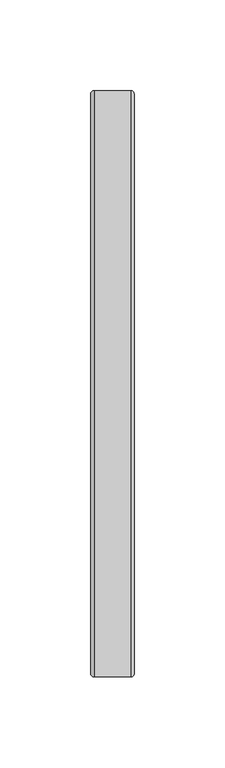
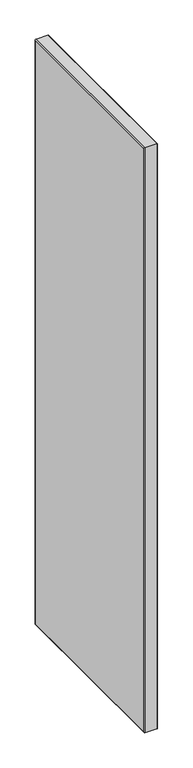
"""IFC4 building model written with IfcOpenShell, lengths in millimetres: furniture geometry."""

from ifc_helpers import new_model, si_unit, frame, origin, place, context, project, spatial, polyline, ellipse_curve, outline, extrude, source, transform, mapped, element, save
from ifc_brep_helpers import plane_surface, cylinder_surface, advanced_brep


def furniture_2617a7be(model_context):
    return source(origin(), model_context, "Body", "SolidModel", [
        extrude(outline(polyline([(-1.5748, 71.9582), (-1.5748, -247.1166), (-24.0253997, -247.1166), (-24.0253997, 71.9582), (-1.5748, 71.9582)])), frame((0.0, 0.0, 1.9812), z_axis=(0.0, 0.0, 1.0), x_axis=(1.0, 0.0, 0.0)), (0.0, 0.0, 1.0), 1050.8234),
        advanced_brep(
        [(-22.0187997, -249.1232, 1054.8112), (-24.0253997, -247.1166, 1052.8046), (-24.0253997, -247.1166, 1.9812), (-22.0187997, -249.1232, -0.0254), (-2.032, -249.1232, 1054.8112), (-2.032, -249.1232, -0.0254), (-0.0254, -247.1166, 1052.8046), (-0.0254, -247.1166, 1.9812), (-24.0253997, 71.9582, 1.9812), (-22.0187997, 73.9648, -0.0254), (-2.032, 73.9648, -0.0254), (-0.0254, 71.9582, 1.9812), (-24.0253997, 71.9582, 1052.8046), (-22.0187997, 73.9648, 1054.8112), (-2.032, 73.9648, 1054.8112), (-0.0254, 71.9582, 1052.8046)],
        [
            (0, 1, ellipse_curve(frame((-22.0187997, -247.1166, 1052.8046), z_axis=(0.0, -0.7071067811865475, -0.7071067811865475), x_axis=(0.0, -0.7071067811865474, 0.7071067811865476)), 2.8377609, 2.0066)),
            (1, 2),
            (2, 3, ellipse_curve(frame((-22.0187997, -247.1166, 1.9812), z_axis=(0.0, -0.7071067811865475, 0.7071067811865475), x_axis=(0.0, 0.7071067811865474, 0.7071067811865476)), 2.8377609, 2.0066)),
            (3, 0),
            (4, 0),
            (3, 5),
            (5, 4),
            (6, 4, ellipse_curve(frame((-2.032, -247.1166, 1052.8046), z_axis=(0.0, -0.7071067811865475, -0.7071067811865475), x_axis=(0.0, -0.7071067811865474, 0.7071067811865476)), 2.8377609, 2.0066)),
            (5, 7, ellipse_curve(frame((-2.032, -247.1166, 1.9812), z_axis=(0.0, -0.7071067811865475, 0.7071067811865475), x_axis=(0.0, 0.7071067811865474, 0.7071067811865476)), 2.8377609, 2.0066)),
            (7, 6),
            (1, 6),
            (7, 2),
            (2, 8),
            (8, 9, ellipse_curve(frame((-22.0187997, 71.9582, 1.9812), z_axis=(0.0, -0.7071067811865475, -0.7071067811865475), x_axis=(0.0, -0.7071067811865476, 0.7071067811865474)), 2.8377609, 2.0066)),
            (9, 3),
            (9, 10),
            (10, 5),
            (10, 11, ellipse_curve(frame((-2.032, 71.9582, 1.9812), z_axis=(0.0, -0.7071067811865475, -0.7071067811865475), x_axis=(0.0, -0.7071067811865476, 0.7071067811865474)), 2.8377609, 2.0066)),
            (11, 7),
            (11, 8),
            (8, 12),
            (12, 13, ellipse_curve(frame((-22.0187997, 71.9582, 1052.8046), z_axis=(0.0, 0.7071067811865475, -0.7071067811865475), x_axis=(0.0, -0.7071067811865474, -0.7071067811865476)), 2.8377609, 2.0066)),
            (13, 9),
            (13, 14),
            (14, 10),
            (14, 15, ellipse_curve(frame((-2.032, 71.9582, 1052.8046), z_axis=(0.0, 0.7071067811865475, -0.7071067811865475), x_axis=(0.0, -0.7071067811865474, -0.7071067811865476)), 2.8377609, 2.0066)),
            (15, 11),
            (15, 12),
            (12, 1),
            (0, 13),
            (4, 14),
            (6, 15),
        ],
        [
            cylinder_surface(frame((-22.0187997, -247.1166, 1052.8046), z_axis=(0.0, 0.0, 1.0), x_axis=(0.0, 1.0, 0.0)), 2.0066),
            plane_surface(frame((-22.0187997, -249.1232, 1054.8112), z_axis=(0.0, -1.0, 0.0), x_axis=(0.0, 0.0, -1.0))),
            cylinder_surface(frame((-2.032, -247.1166, 1052.8046), z_axis=(0.0, 0.0, 1.0), x_axis=(0.0, 1.0, 0.0)), 2.0066),
            plane_surface(frame((-0.0254, -247.1166, 1052.8046), z_axis=(0.0, 1.0, 0.0), x_axis=(0.0, 0.0, -1.0))),
            cylinder_surface(frame((-22.0187997, -247.1166, 1.9812), z_axis=(0.0, -1.0, 0.0), x_axis=(0.0, 0.0, 1.0)), 2.0066),
            plane_surface(frame((-22.0187997, -249.1232, -0.0254), z_axis=(0.0, 0.0, -1.0), x_axis=(0.0, 1.0, 0.0))),
            cylinder_surface(frame((-2.032, -247.1166, 1.9812), z_axis=(0.0, -1.0, 0.0), x_axis=(0.0, 0.0, 1.0)), 2.0066),
            plane_surface(frame((-0.0254, -247.1166, 1.9812), z_axis=(0.0, 0.0, 1.0), x_axis=(0.0, 1.0, 0.0))),
            cylinder_surface(frame((-22.0187997, 71.9582, 1.9812), z_axis=(0.0, 0.0, -1.0), x_axis=(0.0, -1.0, 0.0)), 2.0066),
            plane_surface(frame((-22.0187997, 73.9648, -0.0254), z_axis=(0.0, 1.0, 0.0), x_axis=(0.0, 0.0, 1.0))),
            cylinder_surface(frame((-2.032, 71.9582, 1.9812), z_axis=(0.0, 0.0, -1.0), x_axis=(0.0, -1.0, 0.0)), 2.0066),
            plane_surface(frame((-0.0254, 71.9582, 1.9812), z_axis=(0.0, -1.0, 0.0), x_axis=(0.0, 0.0, 1.0))),
            cylinder_surface(frame((-22.0187997, 71.9582, 1052.8046), z_axis=(0.0, 1.0, 0.0), x_axis=(0.0, 0.0, -1.0)), 2.0066),
            plane_surface(frame((-22.0187997, 73.9648, 1054.8112), z_axis=(0.0, 0.0, 1.0), x_axis=(0.0, -1.0, 0.0))),
            cylinder_surface(frame((-2.032, 71.9582, 1052.8046), z_axis=(0.0, 1.0, 0.0), x_axis=(0.0, 0.0, -1.0)), 2.0066),
            plane_surface(frame((-0.0254, 71.9582, 1052.8046), z_axis=(0.0, 0.0, -1.0), x_axis=(0.0, -1.0, 0.0))),
        ],
        [
            (0, [[1, 2, 3, 4]]),
            (1, [[5, -4, 6, 7]]),
            (2, [[8, -7, 9, 10]]),
            (3, [[11, -10, 12, -2]]),
            (4, [[-3, 13, 14, 15]]),
            (5, [[-6, -15, 16, 17]]),
            (6, [[-9, -17, 18, 19]]),
            (7, [[-12, -19, 20, -13]]),
            (8, [[-14, 21, 22, 23]]),
            (9, [[-16, -23, 24, 25]]),
            (10, [[-18, -25, 26, 27]]),
            (11, [[-20, -27, 28, -21]]),
            (12, [[-22, 29, -1, 30]]),
            (13, [[-24, -30, -5, 31]]),
            (14, [[-26, -31, -8, 32]]),
            (15, [[-28, -32, -11, -29]]),
        ],
    ),
    ])


if __name__ == "__main__":
    model = new_model("IFC4")
    model_context = context("Model", 3, world=origin())
    ifc_project = project(units=[si_unit("LENGTHUNIT", "METRE", prefix="MILLI")], contexts=[model_context])
    site = spatial("IfcSite", under=ifc_project)
    building = spatial("IfcBuilding", under=site)
    placement = place(None, origin())
    furniture_shape = furniture_2617a7be(model_context)
    element("IfcFurniture", 1, at=placement, inside=building, context=model_context, shape_type="MappedRepresentation", body=[
        mapped(furniture_shape, transform((0.0, 0.0, 0.0), x_axis=(1.0, 0.0, 0.0), y_axis=(0.0, 1.0, 0.0), z_axis=(0.0, 0.0, 1.0))),
    ])
    save(model, "model.ifc")
